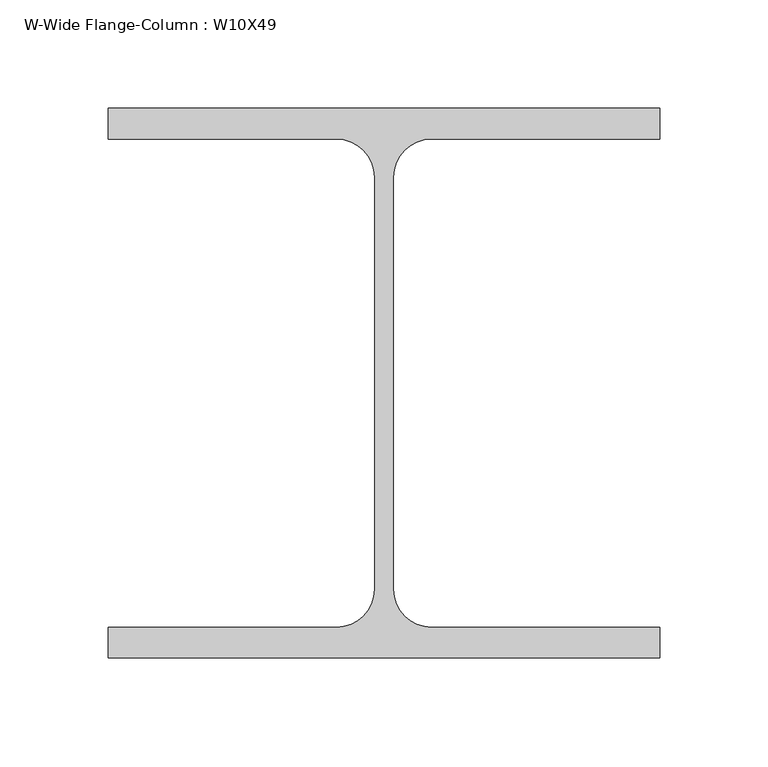
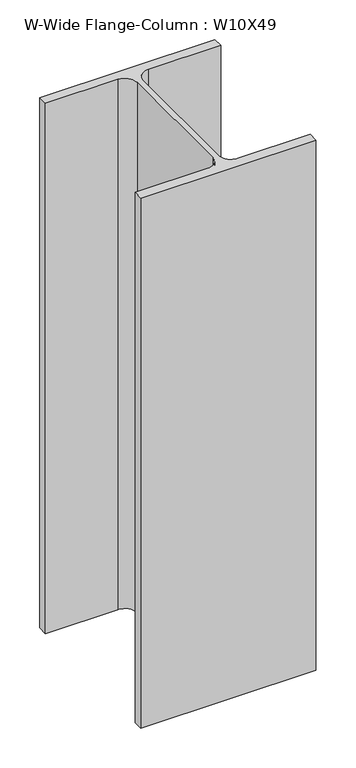
"""IFC4 building model written with IfcOpenShell, lengths in millimetres: column geometry, W-Wide Flange-Column : W10X49."""

import ifcopenshell
import ifcopenshell.guid

model = None  # the IFC model being written
_history = None  # IfcOwnerHistory: only IFC2X3 demands one
_inside = {}  # id of a spatial element -> (the spatial element, [elements in it])
_under = {}  # id of a project, library or spatial element -> (it, [spatial elements below it])
_declared = {}  # id of a project -> (the project, [libraries it declares])
_typed = {}  # id of a type object -> (the type object, [elements of that type])
_made_of = {}  # id of a material, layer set ... -> (it, [elements and type objects made of it])


def new_model(schema):
    """Start an empty IFC model of exactly this schema.

    Asked for "IFC4X3", IfcOpenShell would pick the latest addendum, in which some entities
    have other attributes; the version numbers below select the first issue.
    IFC2X3 requires an IfcOwnerHistory on every rooted entity: one is made here for all.
    """
    global model, _history
    if schema == "IFC4X3":
        model = ifcopenshell.file(schema_version=(4, 3, 0, 0))
    else:
        model = ifcopenshell.file(schema=schema)
    _inside.clear()
    _under.clear()
    _declared.clear()
    _typed.clear()
    _made_of.clear()
    _history = None
    if model.schema == "IFC2X3":
        org = make("IfcOrganization", Name="unknown")
        user = make(
            "IfcPersonAndOrganization",
            ThePerson=make("IfcPerson", FamilyName="unknown"),
            TheOrganization=org,
        )
        app = make(
            "IfcApplication",
            ApplicationDeveloper=org,
            Version="unknown",
            ApplicationFullName="unknown",
            ApplicationIdentifier="unknown",
        )
        _history = make(
            "IfcOwnerHistory",
            OwningUser=user,
            OwningApplication=app,
            ChangeAction="ADDED",
            CreationDate=0,
        )
    return model


def make(cls, **values):
    """One entity of the class cls with the attributes given. An attribute that is None is left unset."""
    return model.create_entity(
        cls, **{name: value for name, value in values.items() if value is not None}
    )


def rooted(cls, **values):
    """An entity with a GlobalId (a new one), such as an element, a storey or a relation."""
    return make(cls, GlobalId=ifcopenshell.guid.new(), OwnerHistory=_history, **values)


def si_unit(unit_type, name, prefix=None):
    """IfcSIUnit, for example si_unit("LENGTHUNIT", "METRE", prefix="MILLI")."""
    return make("IfcSIUnit", UnitType=unit_type, Prefix=prefix, Name=name)


def assignment(units):
    """IfcUnitAssignment: the units of a project."""
    return None if units is None else make("IfcUnitAssignment", Units=units)


def point(xyz):
    """IfcCartesianPoint."""
    return None if xyz is None else make("IfcCartesianPoint", Coordinates=xyz)


def direction(xyz):
    """IfcDirection."""
    return None if xyz is None else make("IfcDirection", DirectionRatios=xyz)


def frame(location, z_axis=None, x_axis=None):
    """IfcAxis2Placement3D, a coordinate frame: its origin and axes. An axis left out is left unset."""
    return make(
        "IfcAxis2Placement3D",
        Location=point(location),
        Axis=direction(z_axis),
        RefDirection=direction(x_axis),
    )


def frame_2d(location, x_axis=None):
    """IfcAxis2Placement2D, a coordinate frame in the plane: its origin and x axis."""
    return make(
        "IfcAxis2Placement2D", Location=point(location), RefDirection=direction(x_axis)
    )


def origin():
    """The frame at (0, 0, 0) with its axes left unset."""
    return frame((0.0, 0.0, 0.0))


def origin_with_axes():
    """The frame at (0, 0, 0) with the z axis (0, 0, 1) and the x axis (1, 0, 0) written out."""
    return frame((0.0, 0.0, 0.0), z_axis=(0.0, 0.0, 1.0), x_axis=(1.0, 0.0, 0.0))


def place(relative_to, where):
    """IfcLocalPlacement: puts the frame where relative to a parent placement (None: the world)."""
    return make(
        "IfcLocalPlacement", PlacementRelTo=relative_to, RelativePlacement=where
    )


def context(
    kind, dimensions, precision=None, world=None, true_north=None, identifier=None
):
    """IfcGeometricRepresentationContext, for example the 3D "Model" context."""
    return make(
        "IfcGeometricRepresentationContext",
        ContextIdentifier=identifier,
        ContextType=kind,
        CoordinateSpaceDimension=dimensions,
        Precision=precision,
        WorldCoordinateSystem=world,
        TrueNorth=true_north,
    )


def project(units=None, contexts=None):
    """IfcProject with its units and contexts."""
    return rooted(
        "IfcProject",
        Name="project",
        RepresentationContexts=contexts,
        UnitsInContext=assignment(units),
    )


def spatial(cls, under=None, at=None, **own):
    """A site, building, storey or space (cls), placed at a placement, below another one or the project."""
    s = rooted(cls, ObjectPlacement=at, **own)
    if under is not None:
        _under.setdefault(under.id(), (under, []))[1].append(s)
    return s


def polyline(points):
    """IfcPolyline through the points."""
    return make("IfcPolyline", Points=[point(p) for p in points])


def circle_curve(where, radius):
    """IfcCircle in the frame where."""
    return make("IfcCircle", Position=where, Radius=radius)


def trimmed(basis, trim1, trim2, sense, master):
    """IfcTrimmedCurve: the piece of a basis curve between two trims."""
    return make(
        "IfcTrimmedCurve",
        BasisCurve=basis,
        Trim1=trim1,
        Trim2=trim2,
        SenseAgreement=sense,
        MasterRepresentation=master,
    )


def segment(curve, same_sense, transition):
    """IfcCompositeCurveSegment."""
    return make(
        "IfcCompositeCurveSegment",
        Transition=transition,
        SameSense=same_sense,
        ParentCurve=curve,
    )


def composite_curve(segments, self_intersect=None):
    """IfcCompositeCurve: segments joined end to end."""
    return make("IfcCompositeCurve", Segments=segments, SelfIntersect=self_intersect)


def outline(outer, holes=None, kind="AREA"):
    """IfcArbitraryClosedProfileDef: a profile drawn as a closed curve; with holes, ...WithVoids."""
    if holes is None:
        return make("IfcArbitraryClosedProfileDef", ProfileType=kind, OuterCurve=outer)
    return make(
        "IfcArbitraryProfileDefWithVoids",
        ProfileType=kind,
        OuterCurve=outer,
        InnerCurves=holes,
    )


def extrude(swept, where, along, depth):
    """IfcExtrudedAreaSolid: the profile swept, set in the frame where, extruded along a direction by depth."""
    return make(
        "IfcExtrudedAreaSolid",
        SweptArea=swept,
        Position=where,
        ExtrudedDirection=direction(along),
        Depth=depth,
    )


def shape(context_of_items, identifier, shape_type, items):
    """IfcShapeRepresentation: the items that make up one representation, for example the "Body"."""
    return make(
        "IfcShapeRepresentation",
        ContextOfItems=context_of_items,
        RepresentationIdentifier=identifier,
        RepresentationType=shape_type,
        Items=items,
    )


def source(mapping_origin, context_of_items, identifier, shape_type, items):
    """IfcRepresentationMap: a shape defined once, which mapped items show again and again."""
    return make(
        "IfcRepresentationMap",
        MappingOrigin=mapping_origin,
        MappedRepresentation=shape(context_of_items, identifier, shape_type, items),
    )


def transform(
    local_origin,
    x_axis=None,
    y_axis=None,
    z_axis=None,
    scale=None,
    scale2=None,
    scale3=None,
    uniform=True,
):
    """IfcCartesianTransformationOperator3D, or its non-uniform kind. x_axis, y_axis, z_axis: its Axis1, 2, 3."""
    if uniform:
        return make(
            "IfcCartesianTransformationOperator3D",
            Axis1=direction(x_axis),
            Axis2=direction(y_axis),
            LocalOrigin=point(local_origin),
            Scale=scale,
            Axis3=direction(z_axis),
        )
    return make(
        "IfcCartesianTransformationOperator3DnonUniform",
        Axis1=direction(x_axis),
        Axis2=direction(y_axis),
        LocalOrigin=point(local_origin),
        Scale=scale,
        Axis3=direction(z_axis),
        Scale2=scale2,
        Scale3=scale3,
    )


def mapped(mapping_source, mapping_target):
    """IfcMappedItem: shows the shape of a source again, moved by a transform."""
    return make(
        "IfcMappedItem", MappingSource=mapping_source, MappingTarget=mapping_target
    )


def made_of(thing, what):
    """Note that an element or type object is made of a material, layer set ...; save() writes the relation."""
    if what is not None:
        _made_of.setdefault(what.id(), (what, []))[1].append(thing)
    return thing


def element(
    cls,
    number,
    at=None,
    inside=None,
    cuts=None,
    type_object=None,
    material=None,
    context=None,
    identifier="Body",
    shape_type=None,
    held_by="IfcProductDefinitionShape",
    body=None,
    shapes=None,
    **own,
):
    """One element of the class cls, such as IfcWall. Its Tag is "e" and its number.

    at: its placement. inside: the storey or other place that contains it. cuts: it is an
    opening in that element (IfcRelVoidsElement). A single representation is given by context,
    identifier, shape_type and body (its items); several are given by shapes. held_by: the class
    of the entity that holds the representations. save() writes the other relations.
    """
    e = rooted(cls, Tag="e%d" % number, ObjectPlacement=at, **own)
    if body is not None:
        shapes = [shape(context, identifier, shape_type, body)]
    if shapes is not None:
        e.Representation = make(held_by, Representations=shapes)
    if inside is not None:
        _inside.setdefault(inside.id(), (inside, []))[1].append(e)
    if cuts is not None:
        rooted(
            "IfcRelVoidsElement", RelatingBuildingElement=cuts, RelatedOpeningElement=e
        )
    if type_object is not None:
        _typed.setdefault(type_object.id(), (type_object, []))[1].append(e)
    return made_of(e, material)


def aggregate(whole, parts):
    """IfcRelAggregates: a whole, such as a stair, and the parts it consists of."""
    return rooted("IfcRelAggregates", RelatingObject=whole, RelatedObjects=parts)


def save(model, path):
    """Write the relations noted so far, then the file.

    IfcRelAggregates (storeys below a building ...), IfcRelContainedInSpatialStructure (elements
    in a storey), IfcRelDefinesByType, IfcRelAssociatesMaterial and IfcRelDeclares: one each for
    every whole, place, type object, material and project.
    """
    for whole, parts in _under.values():
        aggregate(whole, parts)
    for where, things in _inside.values():
        rooted(
            "IfcRelContainedInSpatialStructure",
            RelatedElements=things,
            RelatingStructure=where,
        )
    for kind, things in _typed.values():
        rooted("IfcRelDefinesByType", RelatedObjects=things, RelatingType=kind)
    for what, things in _made_of.values():
        rooted("IfcRelAssociatesMaterial", RelatedObjects=things, RelatingMaterial=what)
    for by, libraries in _declared.values():
        rooted("IfcRelDeclares", RelatingContext=by, RelatedDefinitions=libraries)
    model.write(path)


def w_wide_flange_column_w10x49_6c21b945(model_context):
    return source(origin(), model_context, "Body", "SweptSolid", [
        extrude(outline(composite_curve([segment(polyline([(127.0, 126.7519531), (127.0, 112.5636719), (21.8777344, 112.5636719)]), True, "CONTINUOUS"), segment(trimmed(circle_curve(frame_2d((21.8777344, 95.0019531)), 17.5617188), [point((21.8777344, 112.5636719))], [point((4.3160156, 95.0019531))], True, "CARTESIAN"), True, "CONTINUOUS"), segment(polyline([(4.3160156, 95.0019531), (4.3160156, -95.0019531)]), True, "CONTINUOUS"), segment(trimmed(circle_curve(frame_2d((21.8777344, -95.0019531)), 17.5617187), [point((4.3160156, -95.0019531))], [point((21.8777344, -112.5636719))], True, "CARTESIAN"), True, "CONTINUOUS"), segment(polyline([(21.8777344, -112.5636719), (127.0, -112.5636719), (127.0, -126.7519531), (-127.0, -126.7519531), (-127.0, -112.5636719), (-21.8777344, -112.5636719)]), True, "CONTINUOUS"), segment(trimmed(circle_curve(frame_2d((-21.8777344, -95.0019531)), 17.5617187), [point((-21.8777344, -112.5636719))], [point((-4.3160156, -95.0019531))], True, "CARTESIAN"), True, "CONTINUOUS"), segment(polyline([(-4.3160156, -95.0019531), (-4.3160156, 95.0019531)]), True, "CONTINUOUS"), segment(trimmed(circle_curve(frame_2d((-21.8777344, 95.0019531)), 17.5617188), [point((-4.3160156, 95.0019531))], [point((-21.8777344, 112.5636719))], True, "CARTESIAN"), True, "CONTINUOUS"), segment(polyline([(-21.8777344, 112.5636719), (-127.0, 112.5636719), (-127.0, 126.7519531), (127.0, 126.7519531)]), True, "CONTINUOUS")], self_intersect=False)), origin_with_axes(), (0.0, 0.0, 1.0), 812.8),
    ])


if __name__ == "__main__":
    model = new_model("IFC4")
    model_context = context("Model", 3, world=origin())
    ifc_project = project(units=[si_unit("LENGTHUNIT", "METRE", prefix="MILLI")], contexts=[model_context])
    site = spatial("IfcSite", under=ifc_project)
    building = spatial("IfcBuilding", under=site)
    placement = place(None, origin())
    w_wide_flange_column_w10x49_shape = w_wide_flange_column_w10x49_6c21b945(model_context)
    element("IfcColumn", 1, ObjectType="W-Wide Flange-Column : W10X49", at=placement, inside=building, context=model_context, shape_type="MappedRepresentation", body=[
        mapped(w_wide_flange_column_w10x49_shape, transform((0.0, 0.0, 0.0), x_axis=(1.0, 0.0, 0.0), y_axis=(0.0, 1.0, 0.0), z_axis=(0.0, 0.0, 1.0))),
    ])
    save(model, "model.ifc")
